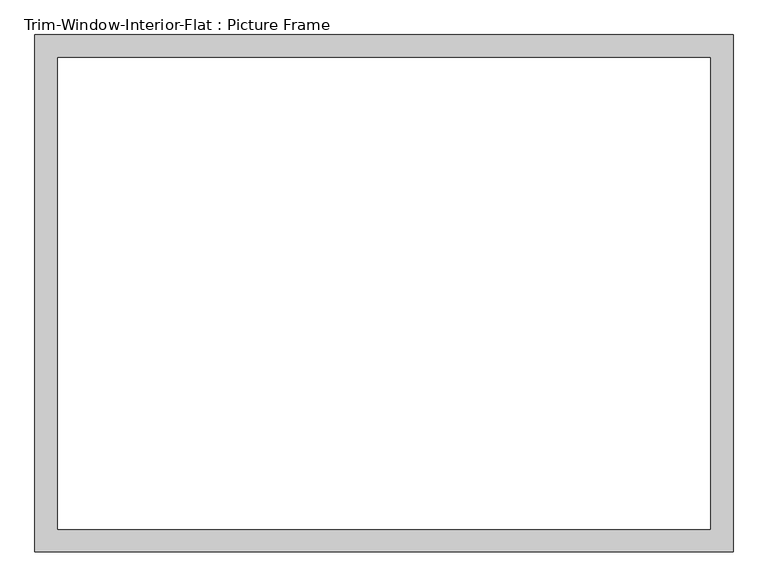
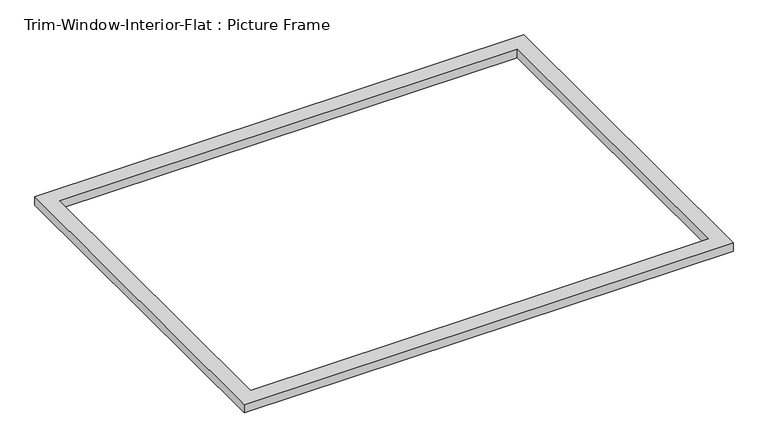
"""IFC4 building model written with IfcOpenShell, lengths in millimetres: proxy geometry, Trim-Window-Interior-Flat : Picture Frame."""

from ifc_helpers import new_model, si_unit, origin, origin_with_axes, place, context, project, spatial, polyline, outline, extrude, source, transform, mapped, element, save


def trim_window_interior_flat_picture_frame_629862c5(model_context):
    return source(origin(), model_context, "Body", "SweptSolid", [
        extrude(outline(polyline([(882.65, -44.45), (-882.65, -44.45), (-882.65, 1263.65), (882.65, 1263.65), (882.65, -44.45)]), holes=[polyline([(825.5, 12.7), (825.5, 1206.5), (-825.5, 1206.5), (-825.5, 12.7), (825.5, 12.7)])]), origin_with_axes(), (0.0, 0.0, 1.0), 31.75),
    ])


if __name__ == "__main__":
    model = new_model("IFC4")
    model_context = context("Model", 3, world=origin())
    ifc_project = project(units=[si_unit("LENGTHUNIT", "METRE", prefix="MILLI")], contexts=[model_context])
    site = spatial("IfcSite", under=ifc_project)
    building = spatial("IfcBuilding", under=site)
    placement = place(None, origin())
    trim_window_interior_flat_picture_frame_shape = trim_window_interior_flat_picture_frame_629862c5(model_context)
    element("IfcBuildingElementProxy", 1, Name="Trim-Window-Interior-Flat : Picture Frame", ObjectType="Trim-Window-Interior-Flat : Picture Frame", at=placement, inside=building, context=model_context, shape_type="MappedRepresentation", body=[
        mapped(trim_window_interior_flat_picture_frame_shape, transform((0.0, 0.0, 0.0), x_axis=(1.0, 0.0, 0.0), y_axis=(0.0, 1.0, 0.0), z_axis=(0.0, 0.0, 1.0))),
    ])
    save(model, "model.ifc")
